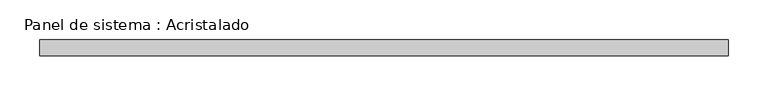
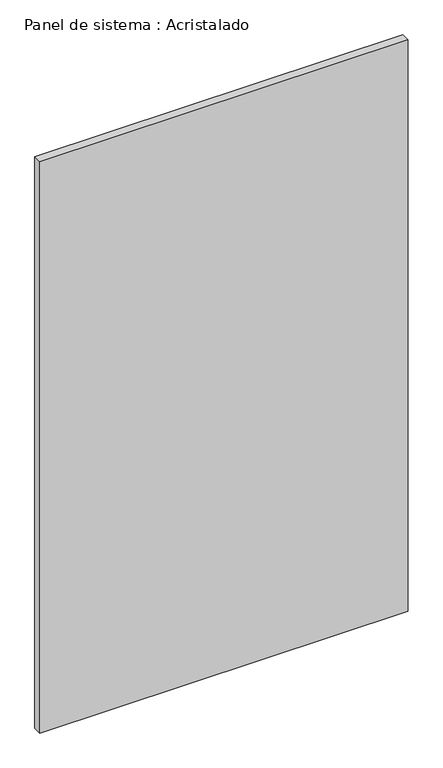
"""IFC4 building model written with IfcOpenShell, lengths in millimetres: plate geometry, Panel de sistema : Acristalado."""

from ifc_helpers import new_model, si_unit, origin, origin_with_axes, place, context, project, spatial, polyline, outline, extrude, source, transform, mapped, element, save


def panel_de_sistema_acristalado_b692c5b8(model_context):
    return source(origin(), model_context, "Body", "SweptSolid", [
        extrude(outline(polyline([(432.9066911, -10.0), (-432.9066911, -10.0), (-432.9066911, 10.0), (432.9066911, 10.0), (432.9066911, -10.0)])), origin_with_axes(), (0.0, 0.0, 1.0), 1419.9740771),
    ])


if __name__ == "__main__":
    model = new_model("IFC4")
    model_context = context("Model", 3, world=origin())
    ifc_project = project(units=[si_unit("LENGTHUNIT", "METRE", prefix="MILLI")], contexts=[model_context])
    site = spatial("IfcSite", under=ifc_project)
    building = spatial("IfcBuilding", under=site)
    placement = place(None, origin())
    panel_de_sistema_acristalado_shape = panel_de_sistema_acristalado_b692c5b8(model_context)
    element("IfcPlate", 1, ObjectType="Panel de sistema : Acristalado", at=placement, inside=building, context=model_context, shape_type="MappedRepresentation", body=[
        mapped(panel_de_sistema_acristalado_shape, transform((0.0, 0.0, 0.0), x_axis=(1.0, 0.0, 0.0), y_axis=(0.0, 1.0, 0.0), z_axis=(0.0, 0.0, 1.0))),
    ])
    save(model, "model.ifc")
